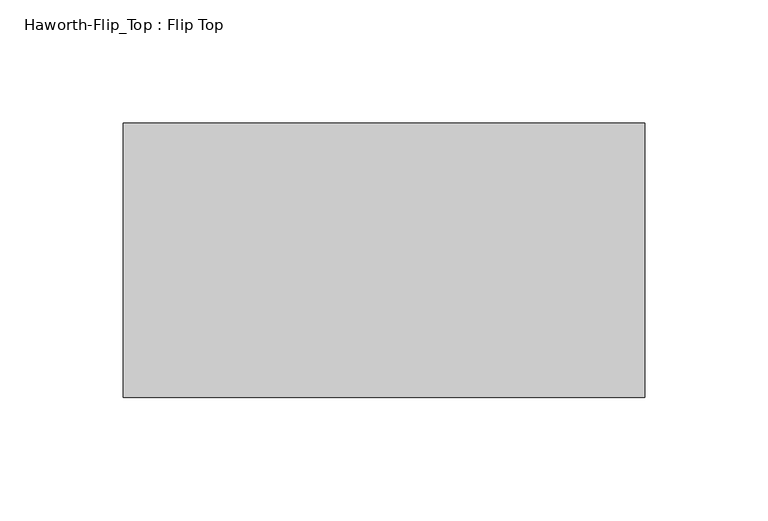
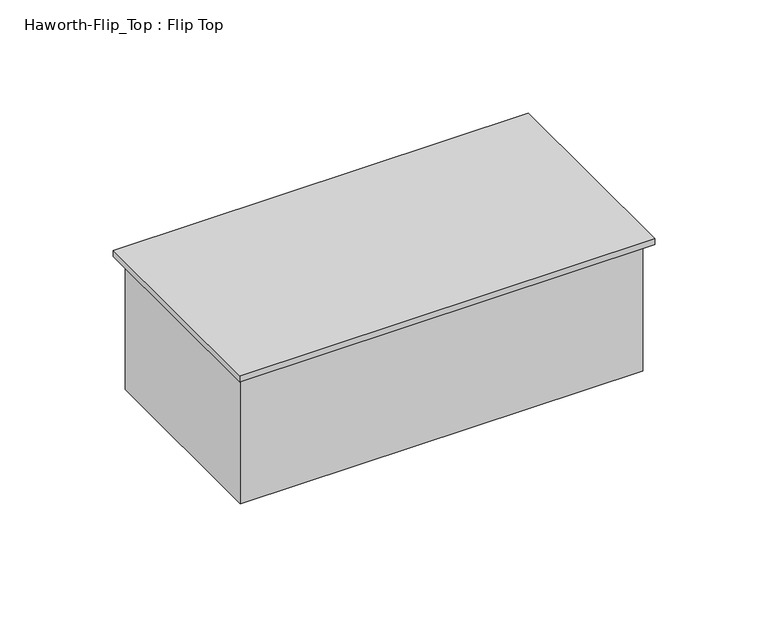
"""IFC4 building model written with IfcOpenShell, lengths in millimetres: furniture geometry, Haworth-Flip_Top : Flip Top."""

from ifc_helpers import new_model, si_unit, origin, place, context, project, spatial, faceted_brep, source, transform, mapped, element, save


def haworth_flip_top_flip_top_f04c2f36(model_context):
    return source(origin(), model_context, "Body", "Brep", [
        faceted_brep([(120.0561699, 56.8956298, 739.775), (-91.0813301, 56.8956298, 739.775), (-91.0813301, -54.2293702, 739.775), (120.0561699, -54.2293702, 739.775), (120.0561699, 56.8956298, 736.6), (120.0561699, -54.2293702, 736.6), (-91.0813301, -54.2293702, 736.6), (-91.0813301, 56.8956298, 736.6), (116.8811699, 52.1331298, 736.6), (-87.9063301, 52.1331298, 736.6), (-87.9063301, -49.4668702, 736.6), (116.8811699, -49.4668702, 736.6), (116.8811699, 52.1331298, 666.75), (116.8811699, -49.4668702, 666.75), (-87.9063301, -49.4668702, 666.75), (-87.9063301, 52.1331298, 666.75)], [[[0, 1, 2, 3]], [[4, 5, 6, 7], [8, 9, 10, 11]], [[1, 0, 4, 7]], [[2, 1, 7, 6]], [[3, 2, 6, 5]], [[0, 3, 5, 4]], [[12, 13, 14, 15]], [[12, 15, 9, 8]], [[15, 14, 10, 9]], [[14, 13, 11, 10]], [[13, 12, 8, 11]]]),
    ])


if __name__ == "__main__":
    model = new_model("IFC4")
    model_context = context("Model", 3, world=origin())
    ifc_project = project(units=[si_unit("LENGTHUNIT", "METRE", prefix="MILLI")], contexts=[model_context])
    site = spatial("IfcSite", under=ifc_project)
    building = spatial("IfcBuilding", under=site)
    placement = place(None, origin())
    haworth_flip_top_flip_top_shape = haworth_flip_top_flip_top_f04c2f36(model_context)
    element("IfcFurniture", 1, ObjectType="Haworth-Flip_Top : Flip Top", at=placement, inside=building, context=model_context, shape_type="MappedRepresentation", body=[
        mapped(haworth_flip_top_flip_top_shape, transform((0.0, 0.0, 0.0), x_axis=(1.0, 0.0, 0.0), y_axis=(0.0, 1.0, 0.0), z_axis=(0.0, 0.0, 1.0))),
    ])
    save(model, "model.ifc")
